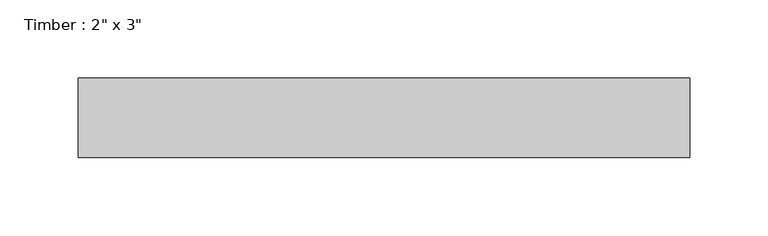
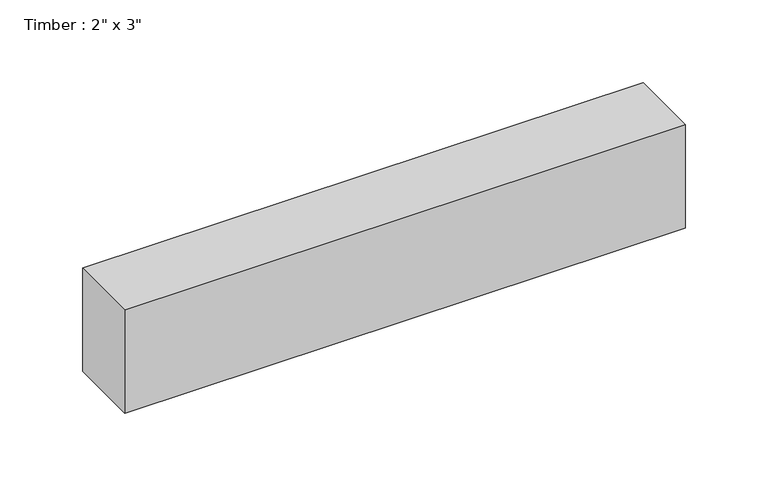
"""IFC4 building model written with IfcOpenShell, lengths in millimetres: beam geometry."""

from ifc_helpers import new_model, si_unit, frame, origin, place, context, project, spatial, polyline, outline, extrude, source, transform, mapped, element, save


def beam_7689e83a(model_context):
    return source(origin(), model_context, "Body", "SweptSolid", [
        extrude(outline(polyline([(195.2957393, 25.4), (195.2957393, -25.4), (-195.2957393, -25.4), (-195.2957393, 25.4), (195.2957393, 25.4)])), frame((0.0, 0.0, -38.1), z_axis=(0.0, 0.0, 1.0), x_axis=(1.0, 0.0, 0.0)), (0.0, 0.0, 1.0), 76.2),
    ])


if __name__ == "__main__":
    model = new_model("IFC4")
    model_context = context("Model", 3, world=origin())
    ifc_project = project(units=[si_unit("LENGTHUNIT", "METRE", prefix="MILLI")], contexts=[model_context])
    site = spatial("IfcSite", under=ifc_project)
    building = spatial("IfcBuilding", under=site)
    placement = place(None, origin())
    beam_shape = beam_7689e83a(model_context)
    element("IfcBeam", 1, ObjectType="Timber : 2\" x 3\"", at=placement, inside=building, context=model_context, shape_type="MappedRepresentation", body=[
        mapped(beam_shape, transform((0.0, 0.0, 0.0), x_axis=(1.0, 0.0, 0.0), y_axis=(0.0, 1.0, 0.0), z_axis=(0.0, 0.0, 1.0))),
    ])
    save(model, "model.ifc")
